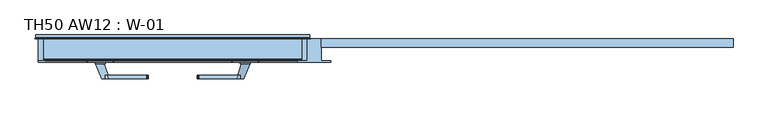
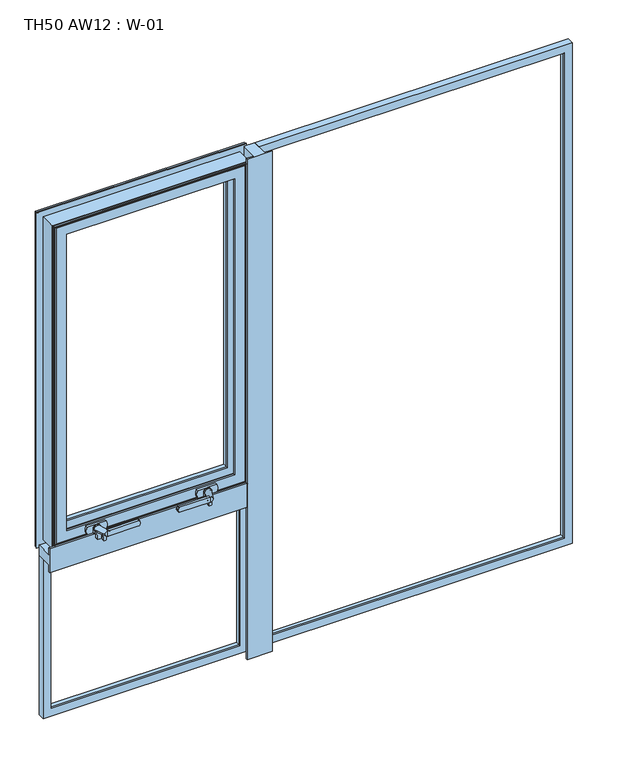
"""IFC4 building model written with IfcOpenShell, lengths in millimetres: window geometry, TH50 AW12 : W-01."""

from ifc_helpers import new_model, si_unit, point, frame, frame_2d, origin, place, context, project, spatial, polyline, circle_curve, ellipse_curve, trimmed, segment, composite_curve, outline, extrude, source, transform, mapped, element, save
from ifc_brep_helpers import plane_surface, cylinder_surface, revolved_surface, spline_surface, advanced_brep


def th50_aw12_w_01_b94ef750(model_context):
    return source(origin(), model_context, "Body", "SolidModel", [
        advanced_brep(
        [(-115.0, 107.7228474, 1960.0), (-112.8575034, 100.3927452, 1957.8575034), (-112.8575034, 100.3927452, 542.1424966), (-115.0, 107.7228474, 540.0), (-115.0, 118.9999377, 1960.0), (-115.0, 118.9999377, 540.0), (-135.0, 100.3927452, 1980.0), (-135.0, 118.9999377, 1980.0), (-135.0, 118.9999377, 520.0), (-135.0, 100.3927452, 520.0), (707.8575034, 100.3927452, 542.1424966), (710.0, 107.7228474, 540.0), (710.0, 118.9999377, 540.0), (730.0, 118.9999377, 520.0), (730.0, 100.3927452, 520.0), (707.8575034, 100.3927452, 1957.8575034), (710.0, 107.7228474, 1960.0), (710.0, 118.9999377, 1960.0), (730.0, 118.9999377, 1980.0), (730.0, 100.3927452, 1980.0)],
        [
            (0, 1, ellipse_curve(frame((-95.3925883, 109.4756835, 1940.3925883), z_axis=(0.7071067811865475, 0.0, 0.7071067811865475), x_axis=(0.7071067811865474, 0.0, -0.7071067811865476)), 27.839649, 19.6856046)),
            (1, 2),
            (2, 3, ellipse_curve(frame((-95.3925883, 109.4756835, 559.6074117), z_axis=(0.7071067811865475, 0.0, -0.7071067811865475), x_axis=(-0.7071067811865474, 0.0, -0.7071067811865476)), 27.839649, 19.6856046)),
            (3, 0),
            (4, 0),
            (3, 5),
            (5, 4),
            (6, 7),
            (7, 8),
            (8, 9),
            (9, 6),
            (2, 10),
            (10, 11, ellipse_curve(frame((690.3925883, 109.4756835, 559.6074117), z_axis=(0.7071067811865475, 0.0, 0.7071067811865475), x_axis=(0.7071067811865476, 0.0, -0.7071067811865474)), 27.839649, 19.6856046)),
            (11, 3),
            (11, 12),
            (12, 5),
            (8, 13),
            (13, 14),
            (14, 9),
            (10, 15),
            (15, 16, ellipse_curve(frame((690.3925883, 109.4756835, 1940.3925883), z_axis=(-0.7071067811865475, 0.0, 0.7071067811865475), x_axis=(0.7071067811865474, 0.0, 0.7071067811865476)), 27.839649, 19.6856046)),
            (16, 11),
            (16, 17),
            (17, 12),
            (13, 18),
            (18, 19),
            (19, 14),
            (19, 6),
            (1, 15),
            (0, 16),
            (4, 17),
            (7, 18),
        ],
        [
            revolved_surface(polyline([(-115.0781929, 109.4756835, 539.9218071062464), (-115.0781929, 109.4756835, 1960.0781928937533)]), (-95.3925883, 109.4756835, 1980.0), (0.0, 0.0, -1.0)),
            plane_surface(frame((-115.0, 107.7228474, 1960.0), z_axis=(1.0, 0.0, 0.0), x_axis=(0.0, 0.0, -1.0))),
            plane_surface(frame((-135.0, 118.9999377, 1980.0), z_axis=(-1.0, 0.0, 0.0), x_axis=(0.0, 0.0, -1.0))),
            revolved_surface(polyline([(710.0781928937533, 109.4756835, 539.9218070999999), (-115.07819289375328, 109.4756835, 539.9218070999999)]), (-135.0, 109.4756835, 559.6074117), (1.0, 0.0, 0.0)),
            plane_surface(frame((-115.0, 107.7228474, 540.0), z_axis=(0.0, 0.0, 1.0), x_axis=(1.0, 0.0, 0.0))),
            plane_surface(frame((-135.0, 118.9999377, 520.0), z_axis=(0.0, 0.0, -1.0), x_axis=(1.0, 0.0, 0.0))),
            revolved_surface(polyline([(710.0781929000001, 109.4756835, 1960.0781928937533), (710.0781929000001, 109.4756835, 539.9218071062467)]), (690.3925883, 109.4756835, 520.0), (0.0, 0.0, 1.0)),
            plane_surface(frame((710.0, 107.7228474, 540.0), z_axis=(-1.0, 0.0, 0.0), x_axis=(0.0, 0.0, 1.0))),
            plane_surface(frame((730.0, 118.9999377, 520.0), z_axis=(1.0, 0.0, 0.0), x_axis=(0.0, 0.0, 1.0))),
            plane_surface(frame((730.0, 100.3927452, 1980.0), z_axis=(0.0, -1.0, 0.0), x_axis=(-1.0, 0.0, 0.0))),
            revolved_surface(polyline([(-115.07819289375323, 109.4756835, 1960.0781929), (710.0781928937533, 109.4756835, 1960.0781929)]), (730.0, 109.4756835, 1940.3925883), (-1.0, 0.0, 0.0)),
            plane_surface(frame((710.0, 107.7228474, 1960.0), z_axis=(0.0, 0.0, -1.0), x_axis=(-1.0, 0.0, 0.0))),
            plane_surface(frame((710.0, 118.9999377, 1960.0), z_axis=(0.0, 1.0, 0.0), x_axis=(-1.0, 0.0, 0.0))),
            plane_surface(frame((730.0, 118.9999377, 1980.0), z_axis=(0.0, 0.0, 1.0), x_axis=(-1.0, 0.0, 0.0))),
        ],
        [
            (0, [[1, 2, 3, 4]]),
            (1, [[5, -4, 6, 7]]),
            (2, [[8, 9, 10, 11]]),
            (3, [[-3, 12, 13, 14]]),
            (4, [[-6, -14, 15, 16]]),
            (5, [[-10, 17, 18, 19]]),
            (6, [[-13, 20, 21, 22]]),
            (7, [[-15, -22, 23, 24]]),
            (8, [[-18, 25, 26, 27]]),
            (9, [[-19, -27, 28, -11], [29, -20, -12, -2]]),
            (10, [[-21, -29, -1, 30]]),
            (11, [[-23, -30, -5, 31]]),
            (12, [[32, -25, -17, -9], [-16, -24, -31, -7]]),
            (13, [[-26, -32, -8, -28]]),
        ],
    ),
        extrude(outline(polyline([(-114.9999652, 68.9990172), (-185.0000026, 68.9990172), (-185.0000026, 72.5990172), (-165.0000187, 72.5990172), (-165.0000187, 118.9999375), (-134.9999813, 118.9999375), (-134.9999813, 72.5990172), (-114.9999652, 72.5990172), (-114.9999652, 68.9990172)])), frame((0.0, 0.0, 520.0), z_axis=(0.0, 0.0, 1.0), x_axis=(1.0, 0.0, 0.0)), (0.0, 0.0, 1.0), 1460.0),
        advanced_brep(
        [(-679.4, 115.3228058, 1929.4), (-677.2575034, 107.9927036, 1927.2575034), (-677.2575034, 107.9927036, 1067.7424966), (-679.4, 115.3228058, 1065.6), (-679.4, 126.5998961, 1929.4), (-679.4, 126.5998961, 1065.6), (-699.4, 107.9927036, 1949.4), (-699.4, 126.5998961, 1949.4), (-699.4, 126.5998961, 1045.6), (-699.4, 107.9927036, 1045.6), (-217.7424966, 107.9927036, 1067.7424966), (-215.6, 115.3228058, 1065.6), (-215.6, 126.5998961, 1065.6), (-195.6, 126.5998961, 1045.6), (-195.6, 107.9927036, 1045.6), (-217.7424966, 107.9927036, 1927.2575034), (-215.6, 115.3228058, 1929.4), (-215.6, 126.5998961, 1929.4), (-195.6, 126.5998961, 1949.4), (-195.6, 107.9927036, 1949.4)],
        [
            (0, 1, ellipse_curve(frame((-659.7925883, 117.0756419, 1909.7925883), z_axis=(0.7071067811865475, 0.0, 0.7071067811865475), x_axis=(0.7071067811865474, 0.0, -0.7071067811865476)), 27.839649, 19.6856046)),
            (1, 2),
            (2, 3, ellipse_curve(frame((-659.7925883, 117.0756419, 1085.2074117), z_axis=(0.7071067811865475, 0.0, -0.7071067811865475), x_axis=(-0.7071067811865474, 0.0, -0.7071067811865476)), 27.839649, 19.6856046)),
            (3, 0),
            (4, 0),
            (3, 5),
            (5, 4),
            (6, 7),
            (7, 8),
            (8, 9),
            (9, 6),
            (2, 10),
            (10, 11, ellipse_curve(frame((-235.2074117, 117.0756419, 1085.2074117), z_axis=(0.7071067811865475, 0.0, 0.7071067811865475), x_axis=(0.7071067811865476, 0.0, -0.7071067811865474)), 27.839649, 19.6856046)),
            (11, 3),
            (11, 12),
            (12, 5),
            (8, 13),
            (13, 14),
            (14, 9),
            (10, 15),
            (15, 16, ellipse_curve(frame((-235.2074117, 117.0756419, 1909.7925883), z_axis=(-0.7071067811865475, 0.0, 0.7071067811865475), x_axis=(0.7071067811865474, 0.0, 0.7071067811865476)), 27.839649, 19.6856046)),
            (16, 11),
            (16, 17),
            (17, 12),
            (13, 18),
            (18, 19),
            (19, 14),
            (19, 6),
            (1, 15),
            (0, 16),
            (4, 17),
            (7, 18),
        ],
        [
            revolved_surface(polyline([(-679.4781929000001, 117.0756419, 1065.5218071062468), (-679.4781929000001, 117.0756419, 1929.4781928937534)]), (-659.7925883, 117.0756419, 1949.4), (0.0, 0.0, -1.0)),
            plane_surface(frame((-679.4, 115.3228058, 1929.4), z_axis=(1.0, 0.0, 0.0), x_axis=(0.0, 0.0, -1.0))),
            plane_surface(frame((-699.4, 126.5998961, 1949.4), z_axis=(-1.0, 0.0, 0.0), x_axis=(0.0, 0.0, -1.0))),
            revolved_surface(polyline([(-215.52180710624668, 117.0756419, 1065.5218071), (-679.4781928937533, 117.0756419, 1065.5218071)]), (-699.4, 117.0756419, 1085.2074117), (1.0, 0.0, 0.0)),
            plane_surface(frame((-679.4, 115.3228058, 1065.6), z_axis=(0.0, 0.0, 1.0), x_axis=(1.0, 0.0, 0.0))),
            plane_surface(frame((-699.4, 126.5998961, 1045.6), z_axis=(0.0, 0.0, -1.0), x_axis=(1.0, 0.0, 0.0))),
            revolved_surface(polyline([(-215.5218071, 117.0756419, 1929.4781928937532), (-215.5218071, 117.0756419, 1065.5218071062468)]), (-235.2074117, 117.0756419, 1045.6), (0.0, 0.0, 1.0)),
            plane_surface(frame((-215.6, 115.3228058, 1065.6), z_axis=(-1.0, 0.0, 0.0), x_axis=(0.0, 0.0, 1.0))),
            plane_surface(frame((-195.6, 126.5998961, 1045.6), z_axis=(1.0, 0.0, 0.0), x_axis=(0.0, 0.0, 1.0))),
            plane_surface(frame((-195.6, 107.9927036, 1949.4), z_axis=(0.0, -1.0, 0.0), x_axis=(-1.0, 0.0, 0.0))),
            revolved_surface(polyline([(-679.4781928937533, 117.0756419, 1929.4781929), (-215.5218071062467, 117.0756419, 1929.4781929)]), (-195.6, 117.0756419, 1909.7925883), (-1.0, 0.0, 0.0)),
            plane_surface(frame((-215.6, 115.3228058, 1929.4), z_axis=(0.0, 0.0, -1.0), x_axis=(-1.0, 0.0, 0.0))),
            plane_surface(frame((-215.6, 126.5998961, 1929.4), z_axis=(0.0, 1.0, 0.0), x_axis=(-1.0, 0.0, 0.0))),
            plane_surface(frame((-195.6, 126.5998961, 1949.4), z_axis=(0.0, 0.0, 1.0), x_axis=(-1.0, 0.0, 0.0))),
        ],
        [
            (0, [[1, 2, 3, 4]]),
            (1, [[5, -4, 6, 7]]),
            (2, [[8, 9, 10, 11]]),
            (3, [[-3, 12, 13, 14]]),
            (4, [[-6, -14, 15, 16]]),
            (5, [[-10, 17, 18, 19]]),
            (6, [[-13, 20, 21, 22]]),
            (7, [[-15, -22, 23, 24]]),
            (8, [[-18, 25, 26, 27]]),
            (9, [[-19, -27, 28, -11], [29, -20, -12, -2]]),
            (10, [[-21, -29, -1, 30]]),
            (11, [[-23, -30, -5, 31]]),
            (12, [[32, -25, -17, -9], [-16, -24, -31, -7]]),
            (13, [[-26, -32, -8, -28]]),
        ],
    ),
        extrude(outline(composite_curve([segment(polyline([(1026.7, -303.432005), (1026.7, -300.567995)]), True, "CONTINUOUS"), segment(trimmed(circle_curve(frame_2d((1029.7, -300.567995)), 3.0), [point((1026.7, -300.567995))], [point((1029.5429921, -297.5721064))], False, "CARTESIAN"), True, "CONTINUOUS"), segment(polyline([(1029.5429921, -297.5721064), (1050.0, -296.5), (1050.0, -307.5), (1029.5429921, -306.4278936)]), True, "CONTINUOUS"), segment(trimmed(circle_curve(frame_2d((1029.7, -303.432005)), 3.0), [point((1029.5429921, -306.4278936))], [point((1026.7, -303.432005))], False, "CARTESIAN"), True, "CONTINUOUS")], self_intersect=False)), frame((0.0, 42.4998877, 0.0), z_axis=(0.0, 1.0, 0.0), x_axis=(0.0, 0.0, 1.0)), (0.0, 0.0, 1.0), 4.9),
        extrude(outline(composite_curve([segment(polyline([(1022.7, -298.7223739), (1022.7, -293.2776261)]), True, "CONTINUOUS"), segment(trimmed(circle_curve(frame_2d((1025.7, -293.2776261)), 3.0), [point((1022.7, -293.2776261))], [point((1025.5429921, -290.2817375))], False, "CARTESIAN"), True, "CONTINUOUS"), segment(polyline([(1025.5429921, -290.2817375), (1050.0, -289.0), (1050.0, -303.0), (1025.5429921, -301.7182625)]), True, "CONTINUOUS"), segment(trimmed(circle_curve(frame_2d((1025.7, -298.7223739)), 3.0), [point((1025.5429921, -301.7182625))], [point((1022.7, -298.7223739))], False, "CARTESIAN"), True, "CONTINUOUS")], self_intersect=False)), frame((0.0, 59.2998877, 0.0), z_axis=(0.0, 1.0, 0.0), x_axis=(0.0, 0.0, 1.0)), (0.0, 0.0, 1.0), 5.3),
        extrude(outline(composite_curve([segment(trimmed(circle_curve(frame_2d((1055.2, -391.7659341)), 2.0), [point((1057.2, -391.7659341))], [point((1055.9427814, -393.6228875))], False, "CARTESIAN"), True, "CONTINUOUS"), segment(polyline([(1055.9427814, -393.6228875), (1051.4855627, -395.4057749)]), True, "CONTINUOUS"), segment(trimmed(circle_curve(frame_2d((1050.0, -391.6918682)), 4.0), [point((1051.4855627, -395.4057749))], [point((1048.5144373, -395.4057749))], False, "CARTESIAN"), True, "CONTINUOUS"), segment(polyline([(1048.5144373, -395.4057749), (1044.0572186, -393.6228875)]), True, "CONTINUOUS"), segment(trimmed(circle_curve(frame_2d((1044.8, -391.7659341)), 2.0), [point((1044.0572186, -393.6228875))], [point((1042.8, -391.7659341))], False, "CARTESIAN"), True, "CONTINUOUS"), segment(polyline([(1042.8, -391.7659341), (1042.8, -306.0), (1057.2, -306.0), (1057.2, -391.7659341)]), True, "CONTINUOUS")], self_intersect=False)), frame((0.0, 34.5998877, 0.0), z_axis=(0.0, 1.0, 0.0), x_axis=(0.0, 0.0, 1.0)), (0.0, 0.0, 1.0), 7.0),
        extrude(outline(composite_curve([segment(trimmed(circle_curve(frame_2d((1050.0, -295.0)), 7.0), [point((1050.0, -288.0))], [point((1050.0, -302.0))], False, "CARTESIAN"), True, "CONTINUOUS"), segment(trimmed(circle_curve(frame_2d((1050.0, -295.0)), 7.0), [point((1050.0, -302.0))], [point((1050.0, -288.0))], False, "CARTESIAN"), True, "CONTINUOUS")], self_intersect=False)), frame((0.0, 64.5998877, 0.0), z_axis=(0.0, 1.0, 0.0), x_axis=(0.0, 0.0, 1.0)), (0.0, 0.0, 1.0), 1.5),
        advanced_brep(
        [(-298.5, 34.5998877, 1050.0), (-313.5, 34.5998877, 1050.0), (-286.0, 64.5998877, 1050.0), (-304.0, 64.5998877, 1050.0)],
        [
            (0, 1, circle_curve(frame((-306.0, 34.5998877, 1050.0), z_axis=(0.0, -1.0, 0.0), x_axis=(-1.0, 0.0, 0.0)), 7.5)),
            (1, 0, circle_curve(frame((-306.0, 34.5998877, 1050.0), z_axis=(0.0, -1.0, 0.0), x_axis=(-1.0, 0.0, 0.0)), 7.5)),
            (2, 3, circle_curve(frame((-295.0, 64.5998877, 1050.0), z_axis=(0.0, 1.0, 0.0), x_axis=(-1.0, 0.0, 0.0)), 9.0)),
            (3, 2, circle_curve(frame((-295.0, 64.5998877, 1050.0), z_axis=(0.0, 1.0, 0.0), x_axis=(-1.0, 0.0, 0.0)), 9.0)),
            (2, 0),
            (1, 3),
        ],
        [
            plane_surface(frame((-306.0, 34.5998877, 1050.0), z_axis=(0.0, -1.0, 0.0), x_axis=(0.0, 0.0, -1.0))),
            plane_surface(frame((-295.0, 64.5998877, 1050.0), z_axis=(0.0, 1.0, 0.0), x_axis=(0.0, 0.0, -1.0))),
            spline_surface(1, 2, [[(-286.0, 64.5998877, 1050.0), (-286.0, 64.5998877, 1041.0), (-295.0, 64.5998877, 1041.0), (-304.0, 64.5998877, 1041.0), (-304.0, 64.5998877, 1050.0)], [(-298.5, 34.5998877, 1050.0), (-298.5, 34.5998877, 1042.5), (-306.0, 34.5998877, 1042.5), (-313.5, 34.5998877, 1042.5), (-313.5, 34.5998877, 1050.0)]], [2, 2], [3, 2, 3], [0.0, 1.0], [0.0, 1.0, 2.0], weights=[[1.0, 0.7071067811865476, 1.0, 0.7071067811865476, 1.0], [1.0, 0.7071067811865476, 1.0, 0.7071067811865476, 1.0]]),
            spline_surface(1, 2, [[(-304.0, 64.5998877, 1050.0), (-304.0, 64.5998877, 1059.0), (-295.0, 64.5998877, 1059.0), (-286.0, 64.5998877, 1059.0), (-286.0, 64.5998877, 1050.0)], [(-313.5, 34.5998877, 1050.0), (-313.5, 34.5998877, 1057.5), (-306.0, 34.5998877, 1057.5), (-298.5, 34.5998877, 1057.5), (-298.5, 34.5998877, 1050.0)]], [2, 2], [3, 2, 3], [0.0, 1.0], [0.0, 1.0, 2.0], weights=[[1.0, 0.7071067811865476, 1.0, 0.7071067811865476, 1.0], [1.0, 0.7071067811865476, 1.0, 0.7071067811865476, 1.0]]),
        ],
        [
            (0, [[1, 2]]),
            (1, [[3, 4]]),
            (2, [[5, -2, 6, -3]]),
            (3, [[-6, -1, -5, -4]]),
        ],
    ),
        extrude(outline(composite_curve([segment(trimmed(circle_curve(frame_2d((1050.0, -295.0)), 10.6), [point((1050.0, -284.4))], [point((1050.0, -305.6))], False, "CARTESIAN"), True, "CONTINUOUS"), segment(polyline([(1050.0, -305.6), (1038.95, -305.6), (1038.95, -284.4), (1050.0, -284.4)]), True, "CONTINUOUS")], self_intersect=False)), frame((0.0, 66.0998877, 0.0), z_axis=(0.0, 1.0, 0.0), x_axis=(0.0, 0.0, 1.0)), (0.0, 0.0, 1.0), 2.8),
        extrude(outline(composite_curve([segment(polyline([(1038.95, -321.0), (1038.95, -269.0)]), True, "CONTINUOUS"), segment(trimmed(circle_curve(frame_2d((1050.0, -291.7032528)), 25.2495582), [point((1038.95, -269.0))], [point((1061.05, -269.0))], False, "CARTESIAN"), True, "CONTINUOUS"), segment(polyline([(1061.05, -269.0), (1061.05, -321.0)]), True, "CONTINUOUS"), segment(trimmed(circle_curve(frame_2d((1050.0, -298.2967472)), 25.2495582), [point((1061.05, -321.0))], [point((1038.95, -321.0))], False, "CARTESIAN"), True, "CONTINUOUS")], self_intersect=False)), frame((0.0, 68.8998877, 0.0), z_axis=(0.0, 1.0, 0.0), x_axis=(0.0, 0.0, 1.0)), (0.0, 0.0, 1.0), 6.7),
        extrude(outline(composite_curve([segment(trimmed(circle_curve(frame_2d((1029.7, -591.567995)), 3.0), [point((1026.7, -591.567995))], [point((1029.5429921, -588.5721064))], False, "CARTESIAN"), True, "CONTINUOUS"), segment(polyline([(1029.5429921, -588.5721064), (1050.0, -587.5), (1050.0, -598.5), (1029.5429921, -597.4278936)]), True, "CONTINUOUS"), segment(trimmed(circle_curve(frame_2d((1029.7, -594.432005)), 3.0), [point((1029.5429921, -597.4278936))], [point((1026.7, -594.432005))], False, "CARTESIAN"), True, "CONTINUOUS"), segment(polyline([(1026.7, -594.432005), (1026.7, -591.567995)]), True, "CONTINUOUS")], self_intersect=False)), frame((0.0, 42.4998877, 0.0), z_axis=(0.0, 1.0, 0.0), x_axis=(0.0, 0.0, 1.0)), (0.0, 0.0, 1.0), 4.9),
        extrude(outline(composite_curve([segment(trimmed(circle_curve(frame_2d((1025.7, -596.2776261)), 3.0), [point((1022.7, -596.2776261))], [point((1025.5429921, -593.2817375))], False, "CARTESIAN"), True, "CONTINUOUS"), segment(polyline([(1025.5429921, -593.2817375), (1050.0, -592.0), (1050.0, -606.0), (1025.5429921, -604.7182625)]), True, "CONTINUOUS"), segment(trimmed(circle_curve(frame_2d((1025.7, -601.7223739)), 3.0), [point((1025.5429921, -604.7182625))], [point((1022.7, -601.7223739))], False, "CARTESIAN"), True, "CONTINUOUS"), segment(polyline([(1022.7, -601.7223739), (1022.7, -596.2776261)]), True, "CONTINUOUS")], self_intersect=False)), frame((0.0, 59.2998877, 0.0), z_axis=(0.0, 1.0, 0.0), x_axis=(0.0, 0.0, 1.0)), (0.0, 0.0, 1.0), 5.3),
        extrude(outline(composite_curve([segment(polyline([(1057.2, -503.2340659), (1057.2, -589.0), (1042.8, -589.0), (1042.8, -503.2340659)]), True, "CONTINUOUS"), segment(trimmed(circle_curve(frame_2d((1044.8, -503.2340659)), 2.0), [point((1042.8, -503.2340659))], [point((1044.0572186, -501.3771125))], False, "CARTESIAN"), True, "CONTINUOUS"), segment(polyline([(1044.0572186, -501.3771125), (1048.5144373, -499.5942251)]), True, "CONTINUOUS"), segment(trimmed(circle_curve(frame_2d((1050.0, -503.3081318)), 4.0), [point((1048.5144373, -499.5942251))], [point((1051.4855627, -499.5942251))], False, "CARTESIAN"), True, "CONTINUOUS"), segment(polyline([(1051.4855627, -499.5942251), (1055.9427814, -501.3771125)]), True, "CONTINUOUS"), segment(trimmed(circle_curve(frame_2d((1055.2, -503.2340659)), 2.0), [point((1055.9427814, -501.3771125))], [point((1057.2, -503.2340659))], False, "CARTESIAN"), True, "CONTINUOUS")], self_intersect=False)), frame((0.0, 34.5998877, 0.0), z_axis=(0.0, 1.0, 0.0), x_axis=(0.0, 0.0, 1.0)), (0.0, 0.0, 1.0), 7.0),
        extrude(outline(composite_curve([segment(trimmed(circle_curve(frame_2d((1050.0, -600.0)), 7.0), [point((1050.0, -607.0))], [point((1050.0, -593.0))], False, "CARTESIAN"), True, "CONTINUOUS"), segment(trimmed(circle_curve(frame_2d((1050.0, -600.0)), 7.0), [point((1050.0, -593.0))], [point((1050.0, -607.0))], False, "CARTESIAN"), True, "CONTINUOUS")], self_intersect=False)), frame((0.0, 64.5998877, 0.0), z_axis=(0.0, 1.0, 0.0), x_axis=(0.0, 0.0, 1.0)), (0.0, 0.0, 1.0), 1.5),
        advanced_brep(
        [(-596.5, 34.5998877, 1050.0), (-581.5, 34.5998877, 1050.0), (-609.0, 64.5998877, 1050.0), (-591.0, 64.5998877, 1050.0)],
        [
            (0, 1, circle_curve(frame((-589.0, 34.5998877, 1050.0), z_axis=(0.0, -1.0, 0.0), x_axis=(1.0, 0.0, 0.0)), 7.5)),
            (1, 0, circle_curve(frame((-589.0, 34.5998877, 1050.0), z_axis=(0.0, -1.0, 0.0), x_axis=(1.0, 0.0, 0.0)), 7.5)),
            (2, 3, circle_curve(frame((-600.0, 64.5998877, 1050.0), z_axis=(0.0, 1.0, 0.0), x_axis=(1.0, 0.0, 0.0)), 9.0)),
            (3, 2, circle_curve(frame((-600.0, 64.5998877, 1050.0), z_axis=(0.0, 1.0, 0.0), x_axis=(1.0, 0.0, 0.0)), 9.0)),
            (3, 1),
            (0, 2),
        ],
        [
            plane_surface(frame((-589.0, 34.5998877, 1050.0), z_axis=(0.0, -1.0, 0.0), x_axis=(0.0, 0.0, -1.0))),
            plane_surface(frame((-600.0, 64.5998877, 1050.0), z_axis=(0.0, 1.0, 0.0), x_axis=(0.0, 0.0, -1.0))),
            spline_surface(2, 1, [[(-609.0, 64.5998877, 1050.0), (-596.5, 34.5998877, 1050.0)], [(-609.0, 64.5998877, 1041.0), (-596.5, 34.5998877, 1042.5)], [(-600.0, 64.5998877, 1041.0), (-589.0, 34.5998877, 1042.5)], [(-591.0, 64.5998877, 1041.0), (-581.5, 34.5998877, 1042.5)], [(-591.0, 64.5998877, 1050.0), (-581.5, 34.5998877, 1050.0)]], [3, 2, 3], [2, 2], [0.0, 1.0, 2.0], [0.0, 1.0], weights=[[1.0, 1.0], [0.7071067811865476, 0.7071067811865476], [1.0, 1.0], [0.7071067811865476, 0.7071067811865476], [1.0, 1.0]]),
            spline_surface(2, 1, [[(-591.0, 64.5998877, 1050.0), (-581.5, 34.5998877, 1050.0)], [(-591.0, 64.5998877, 1059.0), (-581.5, 34.5998877, 1057.5)], [(-600.0, 64.5998877, 1059.0), (-589.0, 34.5998877, 1057.5)], [(-609.0, 64.5998877, 1059.0), (-596.5, 34.5998877, 1057.5)], [(-609.0, 64.5998877, 1050.0), (-596.5, 34.5998877, 1050.0)]], [3, 2, 3], [2, 2], [0.0, 1.0, 2.0], [0.0, 1.0], weights=[[1.0, 1.0], [0.7071067811865476, 0.7071067811865476], [1.0, 1.0], [0.7071067811865476, 0.7071067811865476], [1.0, 1.0]]),
        ],
        [
            (0, [[1, 2]]),
            (1, [[3, 4]]),
            (2, [[-4, 5, -1, 6]]),
            (3, [[-3, -6, -2, -5]]),
        ],
    ),
        extrude(outline(composite_curve([segment(polyline([(1050.0, -610.6), (1038.95, -610.6), (1038.95, -589.4), (1050.0, -589.4)]), True, "CONTINUOUS"), segment(trimmed(circle_curve(frame_2d((1050.0, -600.0)), 10.6), [point((1050.0, -589.4))], [point((1050.0, -610.6))], False, "CARTESIAN"), True, "CONTINUOUS")], self_intersect=False)), frame((0.0, 66.0998877, 0.0), z_axis=(0.0, 1.0, 0.0), x_axis=(0.0, 0.0, 1.0)), (0.0, 0.0, 1.0), 2.8),
        extrude(outline(composite_curve([segment(trimmed(circle_curve(frame_2d((1050.0, -596.7032528)), 25.2495582), [point((1038.95, -574.0))], [point((1061.05, -574.0))], False, "CARTESIAN"), True, "CONTINUOUS"), segment(polyline([(1061.05, -574.0), (1061.05, -626.0)]), True, "CONTINUOUS"), segment(trimmed(circle_curve(frame_2d((1050.0, -603.2967472)), 25.2495582), [point((1061.05, -626.0))], [point((1038.95, -626.0))], False, "CARTESIAN"), True, "CONTINUOUS"), segment(polyline([(1038.95, -626.0), (1038.95, -574.0)]), True, "CONTINUOUS")], self_intersect=False)), frame((0.0, 68.8998877, 0.0), z_axis=(0.0, 1.0, 0.0), x_axis=(0.0, 0.0, 1.0)), (0.0, 0.0, 1.0), 6.7),
        advanced_brep(
        [(-159.1411349, 121.9998959, 1985.8588651), (-159.1411349, 121.9998959, 1009.1411349), (-159.1411349, 126.5998959, 1009.1411349), (-159.1411349, 126.5998959, 1985.8588651), (-735.8588651, 126.5998959, 1985.8588651), (-735.8588651, 126.5998959, 1009.1411349), (-195.6411349, 126.5998959, 1949.3588651), (-699.3588651, 126.5998959, 1949.3588651), (-699.3588651, 126.5998959, 1045.6411349), (-195.6411349, 126.5998959, 1045.6411349), (-735.8588651, 121.9998959, 1009.1411349), (-735.8588651, 121.9998959, 1985.8588651), (-733.7537664, 121.9998959, 1983.7537664), (-161.2462336, 121.9998959, 1983.7537664), (-161.2462336, 121.9998959, 1011.2462336), (-733.7537664, 121.9998959, 1011.2462336), (-158.5362852, 119.9946704, 1986.4637148), (-158.5362852, 119.9946704, 1008.5362852), (-736.4637148, 119.9946704, 1008.5362852), (-157.7913127, 118.9999375, 1987.2086873), (-157.7913127, 118.9999375, 1007.7913127), (-737.2086873, 118.9999375, 1007.7913127), (-737.2086873, 118.9999375, 1987.2086873), (-718.3588678, 118.9999375, 1968.3588678), (-176.6411322, 118.9999375, 1968.3588678), (-176.6411322, 118.9999375, 1026.6411322), (-718.3588678, 118.9999375, 1026.6411322), (-176.6411322, 76.0998843, 1968.3588678), (-176.6411322, 76.0998843, 1026.6411322), (-718.3588678, 76.0998843, 1026.6411322), (-177.1411321, 75.5998845, 1967.8588679), (-177.1411321, 75.5998845, 1027.1411321), (-717.8588679, 75.5998845, 1027.1411321), (-176.855777, 74.6078109, 1968.144223), (-176.855777, 74.6078109, 1026.855777), (-718.144223, 74.6078109, 1026.855777), (-179.5652096, 72.6034283, 1965.4347904), (-179.5652096, 72.6034283, 1029.5652096), (-715.4347904, 72.6034283, 1029.5652096), (-715.4347904, 72.6034283, 1965.4347904), (-712.0349667, 72.6034283, 1962.0349667), (-182.9650333, 72.6034283, 1962.0349667), (-182.9650333, 72.6034283, 1032.9650333), (-712.0349667, 72.6034283, 1032.9650333), (-186.1945677, 74.6078109, 1958.8054323), (-186.1945677, 74.6078109, 1036.1945677), (-708.8054323, 74.6078109, 1036.1945677), (-186.659424, 75.5998877, 1958.340576), (-186.659424, 75.5998877, 1036.659424), (-708.340576, 75.5998877, 1036.659424), (-708.340576, 75.5998877, 1958.340576), (-679.3588709, 75.5998877, 1929.3588709), (-215.6411291, 75.5998877, 1929.3588709), (-215.6411291, 75.5998877, 1065.6411291), (-679.3588709, 75.5998877, 1065.6411291), (-215.6411291, 80.1998877, 1929.3588709), (-215.6411291, 80.1998877, 1065.6411291), (-679.3588709, 80.1998877, 1065.6411291), (-699.3588651, 80.1998877, 1949.3588651), (-195.6411349, 80.1998877, 1949.3588651), (-195.6411349, 80.1998877, 1045.6411349), (-699.3588651, 80.1998877, 1045.6411349), (-679.3588709, 80.1998877, 1929.3588709), (-736.4637148, 119.9946704, 1986.4637148), (-718.3588678, 76.0998843, 1968.3588678), (-717.8588679, 75.5998845, 1967.8588679), (-718.144223, 74.6078109, 1968.144223), (-708.8054323, 74.6078109, 1958.8054323)],
        [
            (0, 1),
            (1, 2),
            (2, 3),
            (3, 0),
            (4, 3),
            (2, 5),
            (5, 4),
            (6, 7),
            (7, 8),
            (8, 9),
            (9, 6),
            (1, 10),
            (10, 5),
            (0, 11),
            (11, 10),
            (12, 13),
            (13, 14),
            (14, 15),
            (15, 12),
            (16, 17),
            (17, 14, ellipse_curve(frame((-157.4151568, 124.3435951, 1007.4151568), z_axis=(-0.7071067811865475, 0.0, -0.7071067811865475), x_axis=(0.7071067811865474, 0.0, -0.7071067811865476)), 6.3513896, 4.4911107)),
            (13, 16, ellipse_curve(frame((-157.4151568, 124.3435951, 1987.5848432), z_axis=(-0.7071067811865475, 0.0, 0.7071067811865475), x_axis=(-0.7071067811865474, 0.0, -0.7071067811865476)), 6.3513896, 4.4911107)),
            (17, 18),
            (18, 15, ellipse_curve(frame((-737.5848432, 124.3435951, 1007.4151568), z_axis=(-0.7071067811865475, 0.0, 0.7071067811865475), x_axis=(-0.7071067811865476, 0.0, -0.7071067811865474)), 6.3513896, 4.4911107)),
            (19, 20),
            (20, 17),
            (16, 19),
            (20, 21),
            (21, 18),
            (19, 22),
            (22, 21),
            (23, 24),
            (24, 25),
            (25, 26),
            (26, 23),
            (27, 28),
            (28, 25),
            (24, 27),
            (28, 29),
            (29, 26),
            (30, 31),
            (31, 28, ellipse_curve(frame((-177.1411321, 76.0998843, 1027.1411321), z_axis=(0.7071067811865475, 0.0, 0.7071067811865475), x_axis=(-0.7071067811865474, 0.0, 0.7071067811865476)), 0.7071066, 0.4999999)),
            (27, 30, ellipse_curve(frame((-177.1411321, 76.0998843, 1967.8588679), z_axis=(0.7071067811865475, 0.0, -0.7071067811865475), x_axis=(0.7071067811865474, 0.0, 0.7071067811865476)), 0.7071066, 0.4999999)),
            (31, 32),
            (32, 29, ellipse_curve(frame((-717.8588679, 76.0998843, 1027.1411321), z_axis=(0.7071067811865475, 0.0, -0.7071067811865475), x_axis=(0.7071067811865476, 0.0, 0.7071067811865474)), 0.7071066, 0.4999999)),
            (33, 34),
            (34, 31),
            (30, 33),
            (34, 35),
            (35, 32),
            (36, 37),
            (37, 34, ellipse_curve(frame((-175.7346486, 70.2588862, 1025.7346486), z_axis=(-0.7071067811865475, 0.0, -0.7071067811865475), x_axis=(0.7071067811865474, 0.0, -0.7071067811865476)), 6.3513896, 4.4911107)),
            (33, 36, ellipse_curve(frame((-175.7346486, 70.2588862, 1969.2653514), z_axis=(-0.7071067811865475, 0.0, 0.7071067811865475), x_axis=(-0.7071067811865474, 0.0, -0.7071067811865476)), 6.3513896, 4.4911107)),
            (37, 38),
            (38, 35, ellipse_curve(frame((-719.2653514, 70.2588862, 1025.7346486), z_axis=(-0.7071067811865475, 0.0, 0.7071067811865475), x_axis=(-0.7071067811865476, 0.0, -0.7071067811865474)), 6.3513896, 4.4911107)),
            (36, 39),
            (39, 38),
            (40, 41),
            (41, 42),
            (42, 43),
            (43, 40),
            (44, 45),
            (45, 42, ellipse_curve(frame((-186.4459086, 70.5988781, 1036.4459086), z_axis=(-0.7071067811865475, 0.0, -0.7071067811865475), x_axis=(0.7071067811865474, 0.0, -0.7071067811865476)), 5.6806187, 4.016804)),
            (41, 44, ellipse_curve(frame((-186.4459086, 70.5988781, 1958.5540914), z_axis=(-0.7071067811865475, 0.0, 0.7071067811865475), x_axis=(-0.7071067811865474, 0.0, -0.7071067811865476)), 5.6806187, 4.016804)),
            (45, 46),
            (46, 43, ellipse_curve(frame((-708.5540914, 70.5988781, 1036.4459086), z_axis=(-0.7071067811865475, 0.0, 0.7071067811865475), x_axis=(-0.7071067811865476, 0.0, -0.7071067811865474)), 5.6806187, 4.016804)),
            (47, 48),
            (48, 45),
            (44, 47),
            (48, 49),
            (49, 46),
            (47, 50),
            (50, 49),
            (51, 52),
            (52, 53),
            (53, 54),
            (54, 51),
            (55, 56),
            (56, 53),
            (52, 55),
            (56, 57),
            (57, 54),
            (58, 59),
            (59, 60),
            (60, 61),
            (61, 58),
            (55, 62),
            (62, 57),
            (9, 60),
            (59, 6),
            (8, 61),
            (11, 4),
            (18, 63),
            (63, 12, ellipse_curve(frame((-737.5848432, 124.3435951, 1987.5848432), z_axis=(0.7071067811865475, 0.0, 0.7071067811865475), x_axis=(-0.7071067811865474, 0.0, 0.7071067811865476)), 6.3513896, 4.4911107)),
            (22, 63),
            (29, 64),
            (64, 23),
            (32, 65),
            (65, 64, ellipse_curve(frame((-717.8588679, 76.0998843, 1967.8588679), z_axis=(-0.7071067811865475, 0.0, -0.7071067811865475), x_axis=(0.7071067811865474, 0.0, -0.7071067811865476)), 0.7071066, 0.4999999)),
            (35, 66),
            (66, 65),
            (39, 66, ellipse_curve(frame((-719.2653514, 70.2588862, 1969.2653514), z_axis=(0.7071067811865475, 0.0, 0.7071067811865475), x_axis=(-0.7071067811865474, 0.0, 0.7071067811865476)), 6.3513896, 4.4911107)),
            (46, 67),
            (67, 40, ellipse_curve(frame((-708.5540914, 70.5988781, 1958.5540914), z_axis=(0.7071067811865475, 0.0, 0.7071067811865475), x_axis=(-0.7071067811865474, 0.0, 0.7071067811865476)), 5.6806187, 4.016804)),
            (50, 67),
            (62, 51),
            (7, 58),
            (63, 16),
            (64, 27),
            (65, 30),
            (66, 33),
            (67, 44),
        ],
        [
            plane_surface(frame((-159.1411349, 126.5998959, 1985.8588651), z_axis=(1.0, 0.0, 0.0), x_axis=(0.0, 0.0, -1.0))),
            plane_surface(frame((-699.3588651, 126.5998959, 1045.6411349), z_axis=(0.0, 1.0, 0.0), x_axis=(0.0, 0.0, 1.0))),
            plane_surface(frame((-159.1411349, 126.5998959, 1009.1411349), z_axis=(0.0, 0.0, -1.0), x_axis=(-1.0, 0.0, 0.0))),
            plane_surface(frame((-735.8588651, 121.9998959, 1009.1411349), z_axis=(0.0, -1.0, 0.0), x_axis=(0.0, 0.0, 1.0))),
            revolved_surface(polyline([(-152.9240461, 124.3435951, 1002.9240461438823), (-152.9240461, 124.3435951, 1992.0759538561178)]), (-157.4151568, 124.3435951, 2000.0), (0.0, 0.0, -1.0)),
            revolved_surface(polyline([(-742.0759538561177, 124.3435951, 1002.9240460999999), (-152.9240461438823, 124.3435951, 1002.9240460999999)]), (-145.0, 124.3435951, 1007.4151568), (-1.0, 0.0, 0.0)),
            plane_surface(frame((-158.5362852, 119.9946704, 1986.4637148), z_axis=(0.8004158635848745, 0.5994451145198197, 0.0), x_axis=(0.0, 0.0, -1.0))),
            plane_surface(frame((-158.5362852, 119.9946704, 1008.5362852), z_axis=(0.0, 0.5994451145198296, -0.800415863584867), x_axis=(-1.0, 0.0, 0.0))),
            plane_surface(frame((-737.2086873, 118.9999375, 1007.7913127), z_axis=(0.0, -1.0, 0.0), x_axis=(0.0, 0.0, 1.0))),
            plane_surface(frame((-176.6411322, 118.9999375, 1968.3588678), z_axis=(1.0, 0.0, 0.0), x_axis=(0.0, 0.0, -1.0))),
            plane_surface(frame((-176.6411322, 118.9999375, 1026.6411322), z_axis=(0.0, 0.0, -1.0), x_axis=(-1.0, 0.0, 0.0))),
            cylinder_surface(frame((-177.1411321, 76.0998843, 2000.0), z_axis=(0.0, 0.0, 1.0), x_axis=(1.0, 0.0, 0.0)), 0.4999999),
            cylinder_surface(frame((-145.0, 76.0998843, 1027.1411321), z_axis=(1.0, 0.0, 0.0), x_axis=(0.0, 0.0, -1.0)), 0.4999999),
            plane_surface(frame((-177.1411321, 75.5998845, 1967.8588679), z_axis=(0.9610348327667642, 0.2764272964252225, 0.0), x_axis=(0.0, 0.0, -1.0))),
            plane_surface(frame((-177.1411321, 75.5998845, 1027.1411321), z_axis=(0.0, 0.27642729642523445, -0.9610348327667607), x_axis=(-1.0, 0.0, 0.0))),
            revolved_surface(polyline([(-171.2435379, 70.2588862, 1021.2435379438822), (-171.2435379, 70.2588862, 1973.756462056118)]), (-175.7346486, 70.2588862, 2000.0), (0.0, 0.0, -1.0)),
            revolved_surface(polyline([(-723.7564620561177, 70.2588862, 1021.2435378999999), (-171.2435379438823, 70.2588862, 1021.2435378999999)]), (-145.0, 70.2588862, 1025.7346486), (-1.0, 0.0, 0.0)),
            plane_surface(frame((-715.4347904, 72.6034283, 1029.5652096), z_axis=(0.0, -1.0, 0.0), x_axis=(0.0, 0.0, 1.0))),
            revolved_surface(polyline([(-182.4291046, 70.5988781, 1032.4291045958948), (-182.4291046, 70.5988781, 1962.5708954041052)]), (-186.4459086, 70.5988781, 2000.0), (0.0, 0.0, -1.0)),
            revolved_surface(polyline([(-712.570895404105, 70.5988781, 1032.4291045999998), (-182.4291045958949, 70.5988781, 1032.4291045999998)]), (-145.0, 70.5988781, 1036.4459086), (-1.0, 0.0, 0.0)),
            plane_surface(frame((-186.1945677, 74.6078109, 1958.8054323), z_axis=(-0.9055219642805099, -0.4242993898246462, 0.0), x_axis=(0.0, 0.0, -1.0))),
            plane_surface(frame((-186.1945677, 74.6078109, 1036.1945677), z_axis=(0.0, -0.4242993898246574, 0.9055219642805047), x_axis=(-1.0, 0.0, 0.0))),
            plane_surface(frame((-708.340576, 75.5998877, 1036.659424), z_axis=(0.0, -1.0, 0.0), x_axis=(0.0, 0.0, 1.0))),
            plane_surface(frame((-215.6411291, 75.5998877, 1929.3588709), z_axis=(-1.0, 0.0, 0.0), x_axis=(0.0, 0.0, -1.0))),
            plane_surface(frame((-215.6411291, 75.5998877, 1065.6411291), z_axis=(0.0, 0.0, 1.0), x_axis=(-1.0, 0.0, 0.0))),
            plane_surface(frame((-679.3588709, 80.1998877, 1065.6411291), z_axis=(0.0, 1.0, 0.0), x_axis=(0.0, 0.0, 1.0))),
            plane_surface(frame((-195.6411349, 80.1998877, 1949.3588651), z_axis=(-1.0, 0.0, 0.0), x_axis=(0.0, 0.0, -1.0))),
            plane_surface(frame((-195.6411349, 80.1998877, 1045.6411349), z_axis=(0.0, 0.0, 1.0), x_axis=(-1.0, 0.0, 0.0))),
            plane_surface(frame((-735.8588651, 126.5998959, 1009.1411349), z_axis=(-1.0, 0.0, 0.0), x_axis=(0.0, 0.0, 1.0))),
            revolved_surface(polyline([(-742.0759539000001, 124.3435951, 1992.0759538561178), (-742.0759539000001, 124.3435951, 1002.9240461438823)]), (-737.5848432, 124.3435951, 995.0), (0.0, 0.0, 1.0)),
            plane_surface(frame((-736.4637148, 119.9946704, 1008.5362852), z_axis=(-0.8004158635848596, 0.5994451145198395, 0.0), x_axis=(0.0, 0.0, 1.0))),
            plane_surface(frame((-718.3588678, 118.9999375, 1026.6411322), z_axis=(-1.0, 0.0, 0.0), x_axis=(0.0, 0.0, 1.0))),
            cylinder_surface(frame((-717.8588679, 76.0998843, 995.0), z_axis=(0.0, 0.0, -1.0), x_axis=(-1.0, 0.0, 0.0)), 0.4999999),
            plane_surface(frame((-717.8588679, 75.5998845, 1027.1411321), z_axis=(-0.9610348327667573, 0.2764272964252464, 0.0), x_axis=(0.0, 0.0, 1.0))),
            revolved_surface(polyline([(-723.7564621, 70.2588862, 1973.756462056118), (-723.7564621, 70.2588862, 1021.2435379438822)]), (-719.2653514, 70.2588862, 995.0), (0.0, 0.0, 1.0)),
            revolved_surface(polyline([(-712.5708953999999, 70.5988781, 1962.5708954041052), (-712.5708953999999, 70.5988781, 1032.4291045958948)]), (-708.5540914, 70.5988781, 995.0), (0.0, 0.0, 1.0)),
            plane_surface(frame((-708.8054323, 74.6078109, 1036.1945677), z_axis=(0.9055219642804995, -0.42429938982466864, 0.0), x_axis=(0.0, 0.0, 1.0))),
            plane_surface(frame((-679.3588709, 75.5998877, 1065.6411291), z_axis=(1.0, 0.0, 0.0), x_axis=(0.0, 0.0, 1.0))),
            plane_surface(frame((-699.3588651, 80.1998877, 1045.6411349), z_axis=(1.0, 0.0, 0.0), x_axis=(0.0, 0.0, 1.0))),
            plane_surface(frame((-735.8588651, 126.5998959, 1985.8588651), z_axis=(0.0, 0.0, 1.0), x_axis=(1.0, 0.0, 0.0))),
            revolved_surface(polyline([(-152.92404614388226, 124.3435951, 1992.0759539), (-742.0759538561177, 124.3435951, 1992.0759539)]), (-750.0, 124.3435951, 1987.5848432), (1.0, 0.0, 0.0)),
            plane_surface(frame((-736.4637148, 119.9946704, 1986.4637148), z_axis=(0.0, 0.5994451145198296, 0.800415863584867), x_axis=(1.0, 0.0, 0.0))),
            plane_surface(frame((-718.3588678, 118.9999375, 1968.3588678), z_axis=(0.0, 0.0, 1.0), x_axis=(1.0, 0.0, 0.0))),
            cylinder_surface(frame((-750.0, 76.0998843, 1967.8588679), z_axis=(-1.0, 0.0, 0.0), x_axis=(0.0, 0.0, 1.0)), 0.4999999),
            plane_surface(frame((-717.8588679, 75.5998845, 1967.8588679), z_axis=(0.0, 0.27642729642523445, 0.9610348327667607), x_axis=(1.0, 0.0, 0.0))),
            revolved_surface(polyline([(-171.2435379438823, 70.2588862, 1973.7564621000001), (-723.7564620561177, 70.2588862, 1973.7564621000001)]), (-750.0, 70.2588862, 1969.2653514), (1.0, 0.0, 0.0)),
            revolved_surface(polyline([(-182.42910459589484, 70.5988781, 1962.5708954000002), (-712.570895404105, 70.5988781, 1962.5708954000002)]), (-750.0, 70.5988781, 1958.5540914), (1.0, 0.0, 0.0)),
            plane_surface(frame((-708.8054323, 74.6078109, 1958.8054323), z_axis=(0.0, -0.4242993898246574, -0.9055219642805047), x_axis=(1.0, 0.0, 0.0))),
            plane_surface(frame((-679.3588709, 75.5998877, 1929.3588709), z_axis=(0.0, 0.0, -1.0), x_axis=(1.0, 0.0, 0.0))),
            plane_surface(frame((-699.3588651, 80.1998877, 1949.3588651), z_axis=(0.0, 0.0, -1.0), x_axis=(1.0, 0.0, 0.0))),
        ],
        [
            (0, [[1, 2, 3, 4]]),
            (1, [[5, -3, 6, 7], [8, 9, 10, 11]]),
            (2, [[12, 13, -6, -2]]),
            (3, [[14, 15, -12, -1], [16, 17, 18, 19]]),
            (4, [[20, 21, -17, 22]]),
            (5, [[23, 24, -18, -21]]),
            (6, [[25, 26, -20, 27]]),
            (7, [[28, 29, -23, -26]]),
            (8, [[30, 31, -28, -25], [32, 33, 34, 35]]),
            (9, [[36, 37, -33, 38]]),
            (10, [[39, 40, -34, -37]]),
            (11, [[41, 42, -36, 43]]),
            (12, [[44, 45, -39, -42]]),
            (13, [[46, 47, -41, 48]]),
            (14, [[49, 50, -44, -47]]),
            (15, [[51, 52, -46, 53]]),
            (16, [[54, 55, -49, -52]]),
            (17, [[56, 57, -54, -51], [58, 59, 60, 61]]),
            (18, [[62, 63, -59, 64]]),
            (19, [[65, 66, -60, -63]]),
            (20, [[67, 68, -62, 69]]),
            (21, [[70, 71, -65, -68]]),
            (22, [[72, 73, -70, -67], [74, 75, 76, 77]]),
            (23, [[78, 79, -75, 80]]),
            (24, [[81, 82, -76, -79]]),
            (25, [[83, 84, 85, 86], [87, 88, -81, -78]]),
            (26, [[-11, 89, -84, 90]]),
            (27, [[-10, 91, -85, -89]]),
            (28, [[-15, 92, -7, -13]]),
            (29, [[93, 94, -19, -24]]),
            (30, [[-31, 95, -93, -29]]),
            (31, [[96, 97, -35, -40]]),
            (32, [[98, 99, -96, -45]]),
            (33, [[100, 101, -98, -50]]),
            (34, [[-57, 102, -100, -55]]),
            (35, [[103, 104, -61, -66]]),
            (36, [[-73, 105, -103, -71]]),
            (37, [[-88, 106, -77, -82]]),
            (38, [[-9, 107, -86, -91]]),
            (39, [[-14, -4, -5, -92]]),
            (40, [[108, -22, -16, -94]]),
            (41, [[-30, -27, -108, -95]]),
            (42, [[109, -38, -32, -97]]),
            (43, [[110, -43, -109, -99]]),
            (44, [[111, -48, -110, -101]]),
            (45, [[-56, -53, -111, -102]]),
            (46, [[112, -64, -58, -104]]),
            (47, [[-72, -69, -112, -105]]),
            (48, [[-87, -80, -74, -106]]),
            (49, [[-8, -90, -83, -107]]),
        ],
    ),
        extrude(outline(polyline([(68.9990172, 964.9999652), (68.9990172, 1035.0000026), (72.5990172, 1035.0000026), (72.5990172, 1015.0000187), (118.9999375, 1015.0000187), (118.9999375, 984.9999813), (72.5990172, 984.9999813), (72.5990172, 964.9999652), (68.9990172, 964.9999652)])), frame((-730.0, 0.0, 0.0), z_axis=(1.0, 0.0, 0.0), x_axis=(0.0, 1.0, 0.0)), (0.0, 0.0, 1.0), 565.0),
        advanced_brep(
        [(-710.0, 107.7228474, 965.0), (-707.8575034, 100.3927452, 962.8575034), (-707.8575034, 100.3927452, 542.1424966), (-710.0, 107.7228474, 540.0), (-710.0, 118.9999377, 965.0), (-710.0, 118.9999377, 540.0), (-730.0, 100.3927452, 985.0), (-730.0, 118.9999377, 985.0), (-730.0, 118.9999377, 520.0), (-730.0, 100.3927452, 520.0), (-187.1424966, 100.3927452, 542.1424966), (-185.0, 107.7228474, 540.0), (-185.0, 118.9999377, 540.0), (-165.0, 118.9999377, 520.0), (-165.0, 100.3927452, 520.0), (-187.1424966, 100.3927452, 962.8575034), (-185.0, 107.7228474, 965.0), (-185.0, 118.9999377, 965.0), (-165.0, 118.9999377, 985.0), (-165.0, 100.3927452, 985.0)],
        [
            (0, 1, ellipse_curve(frame((-690.3925883, 109.4756835, 945.3925883), z_axis=(0.7071067811865475, 0.0, 0.7071067811865475), x_axis=(0.7071067811865474, 0.0, -0.7071067811865476)), 27.839649, 19.6856046)),
            (1, 2),
            (2, 3, ellipse_curve(frame((-690.3925883, 109.4756835, 559.6074117), z_axis=(0.7071067811865475, 0.0, -0.7071067811865475), x_axis=(-0.7071067811865474, 0.0, -0.7071067811865476)), 27.839649, 19.6856046)),
            (3, 0),
            (4, 0),
            (3, 5),
            (5, 4),
            (6, 7),
            (7, 8),
            (8, 9),
            (9, 6),
            (2, 10),
            (10, 11, ellipse_curve(frame((-204.6074117, 109.4756835, 559.6074117), z_axis=(0.7071067811865475, 0.0, 0.7071067811865475), x_axis=(0.7071067811865476, 0.0, -0.7071067811865474)), 27.839649, 19.6856046)),
            (11, 3),
            (11, 12),
            (12, 5),
            (8, 13),
            (13, 14),
            (14, 9),
            (10, 15),
            (15, 16, ellipse_curve(frame((-204.6074117, 109.4756835, 945.3925883), z_axis=(-0.7071067811865475, 0.0, 0.7071067811865475), x_axis=(0.7071067811865474, 0.0, 0.7071067811865476)), 27.839649, 19.6856046)),
            (16, 11),
            (16, 17),
            (17, 12),
            (13, 18),
            (18, 19),
            (19, 14),
            (19, 6),
            (1, 15),
            (0, 16),
            (4, 17),
            (7, 18),
        ],
        [
            revolved_surface(polyline([(-710.0781929000001, 109.4756835, 539.9218071062467), (-710.0781929000001, 109.4756835, 965.0781928937533)]), (-690.3925883, 109.4756835, 985.0), (0.0, 0.0, -1.0)),
            plane_surface(frame((-710.0, 107.7228474, 965.0), z_axis=(1.0, 0.0, 0.0), x_axis=(0.0, 0.0, -1.0))),
            plane_surface(frame((-730.0, 118.9999377, 985.0), z_axis=(-1.0, 0.0, 0.0), x_axis=(0.0, 0.0, -1.0))),
            revolved_surface(polyline([(-184.92180710624677, 109.4756835, 539.9218070999999), (-710.0781928937533, 109.4756835, 539.9218070999999)]), (-730.0, 109.4756835, 559.6074117), (1.0, 0.0, 0.0)),
            plane_surface(frame((-710.0, 107.7228474, 540.0), z_axis=(0.0, 0.0, 1.0), x_axis=(1.0, 0.0, 0.0))),
            plane_surface(frame((-730.0, 118.9999377, 520.0), z_axis=(0.0, 0.0, -1.0), x_axis=(1.0, 0.0, 0.0))),
            revolved_surface(polyline([(-184.9218071, 109.4756835, 965.0781928937533), (-184.9218071, 109.4756835, 539.9218071062467)]), (-204.6074117, 109.4756835, 520.0), (0.0, 0.0, 1.0)),
            plane_surface(frame((-185.0, 107.7228474, 540.0), z_axis=(-1.0, 0.0, 0.0), x_axis=(0.0, 0.0, 1.0))),
            plane_surface(frame((-165.0, 118.9999377, 520.0), z_axis=(1.0, 0.0, 0.0), x_axis=(0.0, 0.0, 1.0))),
            plane_surface(frame((-165.0, 100.3927452, 985.0), z_axis=(0.0, -1.0, 0.0), x_axis=(-1.0, 0.0, 0.0))),
            revolved_surface(polyline([(-710.0781928937533, 109.4756835, 965.0781929000001), (-184.92180710624672, 109.4756835, 965.0781929000001)]), (-165.0, 109.4756835, 945.3925883), (-1.0, 0.0, 0.0)),
            plane_surface(frame((-185.0, 107.7228474, 965.0), z_axis=(0.0, 0.0, -1.0), x_axis=(-1.0, 0.0, 0.0))),
            plane_surface(frame((-185.0, 118.9999377, 965.0), z_axis=(0.0, 1.0, 0.0), x_axis=(-1.0, 0.0, 0.0))),
            plane_surface(frame((-165.0, 118.9999377, 985.0), z_axis=(0.0, 0.0, 1.0), x_axis=(-1.0, 0.0, 0.0))),
        ],
        [
            (0, [[1, 2, 3, 4]]),
            (1, [[5, -4, 6, 7]]),
            (2, [[8, 9, 10, 11]]),
            (3, [[-3, 12, 13, 14]]),
            (4, [[-6, -14, 15, 16]]),
            (5, [[-10, 17, 18, 19]]),
            (6, [[-13, 20, 21, 22]]),
            (7, [[-15, -22, 23, 24]]),
            (8, [[-18, 25, 26, 27]]),
            (9, [[-19, -27, 28, -11], [29, -20, -12, -2]]),
            (10, [[-21, -29, -1, 30]]),
            (11, [[-23, -30, -5, 31]]),
            (12, [[32, -25, -17, -9], [-16, -24, -31, -7]]),
            (13, [[-26, -32, -8, -28]]),
        ],
    ),
    ])


if __name__ == "__main__":
    model = new_model("IFC4")
    model_context = context("Model", 3, world=origin())
    ifc_project = project(units=[si_unit("LENGTHUNIT", "METRE", prefix="MILLI")], contexts=[model_context])
    site = spatial("IfcSite", under=ifc_project)
    building = spatial("IfcBuilding", under=site)
    placement = place(None, origin())
    th50_aw12_w_01_shape = th50_aw12_w_01_b94ef750(model_context)
    element("IfcWindow", 1, ObjectType="TH50 AW12 : W-01", at=placement, inside=building, context=model_context, shape_type="MappedRepresentation", body=[
        mapped(th50_aw12_w_01_shape, transform((0.0, 0.0, 0.0), x_axis=(1.0, 0.0, 0.0), y_axis=(0.0, 1.0, 0.0), z_axis=(0.0, 0.0, 1.0))),
    ])
    save(model, "model.ifc")
